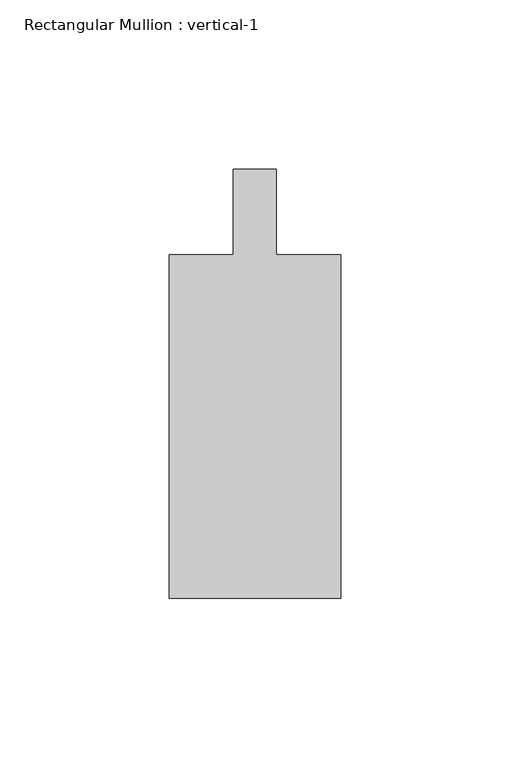
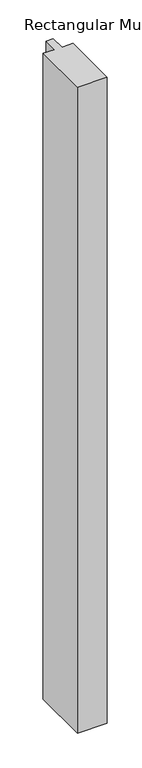
"""IFC4 building model written with IfcOpenShell, lengths in millimetres: member geometry, Rectangular Mullion : vertical-1."""

import ifcopenshell
import ifcopenshell.guid

model = None  # the IFC model being written
_history = None  # IfcOwnerHistory: only IFC2X3 demands one
_inside = {}  # id of a spatial element -> (the spatial element, [elements in it])
_under = {}  # id of a project, library or spatial element -> (it, [spatial elements below it])
_declared = {}  # id of a project -> (the project, [libraries it declares])
_typed = {}  # id of a type object -> (the type object, [elements of that type])
_made_of = {}  # id of a material, layer set ... -> (it, [elements and type objects made of it])


def new_model(schema):
    """Start an empty IFC model of exactly this schema.

    Asked for "IFC4X3", IfcOpenShell would pick the latest addendum, in which some entities
    have other attributes; the version numbers below select the first issue.
    IFC2X3 requires an IfcOwnerHistory on every rooted entity: one is made here for all.
    """
    global model, _history
    if schema == "IFC4X3":
        model = ifcopenshell.file(schema_version=(4, 3, 0, 0))
    else:
        model = ifcopenshell.file(schema=schema)
    _inside.clear()
    _under.clear()
    _declared.clear()
    _typed.clear()
    _made_of.clear()
    _history = None
    if model.schema == "IFC2X3":
        org = make("IfcOrganization", Name="unknown")
        user = make(
            "IfcPersonAndOrganization",
            ThePerson=make("IfcPerson", FamilyName="unknown"),
            TheOrganization=org,
        )
        app = make(
            "IfcApplication",
            ApplicationDeveloper=org,
            Version="unknown",
            ApplicationFullName="unknown",
            ApplicationIdentifier="unknown",
        )
        _history = make(
            "IfcOwnerHistory",
            OwningUser=user,
            OwningApplication=app,
            ChangeAction="ADDED",
            CreationDate=0,
        )
    return model


def make(cls, **values):
    """One entity of the class cls with the attributes given. An attribute that is None is left unset."""
    return model.create_entity(
        cls, **{name: value for name, value in values.items() if value is not None}
    )


def rooted(cls, **values):
    """An entity with a GlobalId (a new one), such as an element, a storey or a relation."""
    return make(cls, GlobalId=ifcopenshell.guid.new(), OwnerHistory=_history, **values)


def si_unit(unit_type, name, prefix=None):
    """IfcSIUnit, for example si_unit("LENGTHUNIT", "METRE", prefix="MILLI")."""
    return make("IfcSIUnit", UnitType=unit_type, Prefix=prefix, Name=name)


def assignment(units):
    """IfcUnitAssignment: the units of a project."""
    return None if units is None else make("IfcUnitAssignment", Units=units)


def point(xyz):
    """IfcCartesianPoint."""
    return None if xyz is None else make("IfcCartesianPoint", Coordinates=xyz)


def direction(xyz):
    """IfcDirection."""
    return None if xyz is None else make("IfcDirection", DirectionRatios=xyz)


def frame(location, z_axis=None, x_axis=None):
    """IfcAxis2Placement3D, a coordinate frame: its origin and axes. An axis left out is left unset."""
    return make(
        "IfcAxis2Placement3D",
        Location=point(location),
        Axis=direction(z_axis),
        RefDirection=direction(x_axis),
    )


def origin():
    """The frame at (0, 0, 0) with its axes left unset."""
    return frame((0.0, 0.0, 0.0))


def place(relative_to, where):
    """IfcLocalPlacement: puts the frame where relative to a parent placement (None: the world)."""
    return make(
        "IfcLocalPlacement", PlacementRelTo=relative_to, RelativePlacement=where
    )


def context(
    kind, dimensions, precision=None, world=None, true_north=None, identifier=None
):
    """IfcGeometricRepresentationContext, for example the 3D "Model" context."""
    return make(
        "IfcGeometricRepresentationContext",
        ContextIdentifier=identifier,
        ContextType=kind,
        CoordinateSpaceDimension=dimensions,
        Precision=precision,
        WorldCoordinateSystem=world,
        TrueNorth=true_north,
    )


def project(units=None, contexts=None):
    """IfcProject with its units and contexts."""
    return rooted(
        "IfcProject",
        Name="project",
        RepresentationContexts=contexts,
        UnitsInContext=assignment(units),
    )


def spatial(cls, under=None, at=None, **own):
    """A site, building, storey or space (cls), placed at a placement, below another one or the project."""
    s = rooted(cls, ObjectPlacement=at, **own)
    if under is not None:
        _under.setdefault(under.id(), (under, []))[1].append(s)
    return s


def polyline(points):
    """IfcPolyline through the points."""
    return make("IfcPolyline", Points=[point(p) for p in points])


def outline(outer, holes=None, kind="AREA"):
    """IfcArbitraryClosedProfileDef: a profile drawn as a closed curve; with holes, ...WithVoids."""
    if holes is None:
        return make("IfcArbitraryClosedProfileDef", ProfileType=kind, OuterCurve=outer)
    return make(
        "IfcArbitraryProfileDefWithVoids",
        ProfileType=kind,
        OuterCurve=outer,
        InnerCurves=holes,
    )


def extrude(swept, where, along, depth):
    """IfcExtrudedAreaSolid: the profile swept, set in the frame where, extruded along a direction by depth."""
    return make(
        "IfcExtrudedAreaSolid",
        SweptArea=swept,
        Position=where,
        ExtrudedDirection=direction(along),
        Depth=depth,
    )


def shape(context_of_items, identifier, shape_type, items):
    """IfcShapeRepresentation: the items that make up one representation, for example the "Body"."""
    return make(
        "IfcShapeRepresentation",
        ContextOfItems=context_of_items,
        RepresentationIdentifier=identifier,
        RepresentationType=shape_type,
        Items=items,
    )


def source(mapping_origin, context_of_items, identifier, shape_type, items):
    """IfcRepresentationMap: a shape defined once, which mapped items show again and again."""
    return make(
        "IfcRepresentationMap",
        MappingOrigin=mapping_origin,
        MappedRepresentation=shape(context_of_items, identifier, shape_type, items),
    )


def transform(
    local_origin,
    x_axis=None,
    y_axis=None,
    z_axis=None,
    scale=None,
    scale2=None,
    scale3=None,
    uniform=True,
):
    """IfcCartesianTransformationOperator3D, or its non-uniform kind. x_axis, y_axis, z_axis: its Axis1, 2, 3."""
    if uniform:
        return make(
            "IfcCartesianTransformationOperator3D",
            Axis1=direction(x_axis),
            Axis2=direction(y_axis),
            LocalOrigin=point(local_origin),
            Scale=scale,
            Axis3=direction(z_axis),
        )
    return make(
        "IfcCartesianTransformationOperator3DnonUniform",
        Axis1=direction(x_axis),
        Axis2=direction(y_axis),
        LocalOrigin=point(local_origin),
        Scale=scale,
        Axis3=direction(z_axis),
        Scale2=scale2,
        Scale3=scale3,
    )


def mapped(mapping_source, mapping_target):
    """IfcMappedItem: shows the shape of a source again, moved by a transform."""
    return make(
        "IfcMappedItem", MappingSource=mapping_source, MappingTarget=mapping_target
    )


def made_of(thing, what):
    """Note that an element or type object is made of a material, layer set ...; save() writes the relation."""
    if what is not None:
        _made_of.setdefault(what.id(), (what, []))[1].append(thing)
    return thing


def element(
    cls,
    number,
    at=None,
    inside=None,
    cuts=None,
    type_object=None,
    material=None,
    context=None,
    identifier="Body",
    shape_type=None,
    held_by="IfcProductDefinitionShape",
    body=None,
    shapes=None,
    **own,
):
    """One element of the class cls, such as IfcWall. Its Tag is "e" and its number.

    at: its placement. inside: the storey or other place that contains it. cuts: it is an
    opening in that element (IfcRelVoidsElement). A single representation is given by context,
    identifier, shape_type and body (its items); several are given by shapes. held_by: the class
    of the entity that holds the representations. save() writes the other relations.
    """
    e = rooted(cls, Tag="e%d" % number, ObjectPlacement=at, **own)
    if body is not None:
        shapes = [shape(context, identifier, shape_type, body)]
    if shapes is not None:
        e.Representation = make(held_by, Representations=shapes)
    if inside is not None:
        _inside.setdefault(inside.id(), (inside, []))[1].append(e)
    if cuts is not None:
        rooted(
            "IfcRelVoidsElement", RelatingBuildingElement=cuts, RelatedOpeningElement=e
        )
    if type_object is not None:
        _typed.setdefault(type_object.id(), (type_object, []))[1].append(e)
    return made_of(e, material)


def aggregate(whole, parts):
    """IfcRelAggregates: a whole, such as a stair, and the parts it consists of."""
    return rooted("IfcRelAggregates", RelatingObject=whole, RelatedObjects=parts)


def save(model, path):
    """Write the relations noted so far, then the file.

    IfcRelAggregates (storeys below a building ...), IfcRelContainedInSpatialStructure (elements
    in a storey), IfcRelDefinesByType, IfcRelAssociatesMaterial and IfcRelDeclares: one each for
    every whole, place, type object, material and project.
    """
    for whole, parts in _under.values():
        aggregate(whole, parts)
    for where, things in _inside.values():
        rooted(
            "IfcRelContainedInSpatialStructure",
            RelatedElements=things,
            RelatingStructure=where,
        )
    for kind, things in _typed.values():
        rooted("IfcRelDefinesByType", RelatedObjects=things, RelatingType=kind)
    for what, things in _made_of.values():
        rooted("IfcRelAssociatesMaterial", RelatedObjects=things, RelatingMaterial=what)
    for by, libraries in _declared.values():
        rooted("IfcRelDeclares", RelatingContext=by, RelatedDefinitions=libraries)
    model.write(path)


def rectangular_mullion_vertical_1_9dd109d0(model_context):
    return source(origin(), model_context, "Body", "SweptSolid", [
        extrude(outline(polyline([(25.4001903, -146.0500274), (-25.3998097, -146.0500274), (-25.3998097, -44.4500274), (-6.3498097, -44.4500274), (-6.3498097, -19.0500549), (6.3498097, -19.0500549), (6.3498097, -44.4500274), (25.4001903, -44.4500274), (25.4001903, -146.0500274)])), frame((0.0, 0.0, -1168.4), z_axis=(0.0, 0.0, 1.0), x_axis=(1.0, 0.0, 0.0)), (0.0, 0.0, 1.0), 1168.4),
    ])


if __name__ == "__main__":
    model = new_model("IFC4")
    model_context = context("Model", 3, world=origin())
    ifc_project = project(units=[si_unit("LENGTHUNIT", "METRE", prefix="MILLI")], contexts=[model_context])
    site = spatial("IfcSite", under=ifc_project)
    building = spatial("IfcBuilding", under=site)
    placement = place(None, origin())
    rectangular_mullion_vertical_1_shape = rectangular_mullion_vertical_1_9dd109d0(model_context)
    element("IfcMember", 1, ObjectType="Rectangular Mullion : vertical-1", at=placement, inside=building, context=model_context, shape_type="MappedRepresentation", body=[
        mapped(rectangular_mullion_vertical_1_shape, transform((0.0, 0.0, 0.0), x_axis=(1.0, 0.0, 0.0), y_axis=(0.0, 1.0, 0.0), z_axis=(0.0, 0.0, 1.0))),
    ])
    save(model, "model.ifc")
